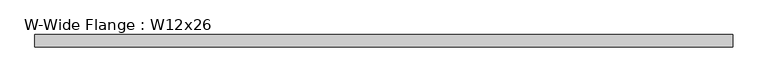
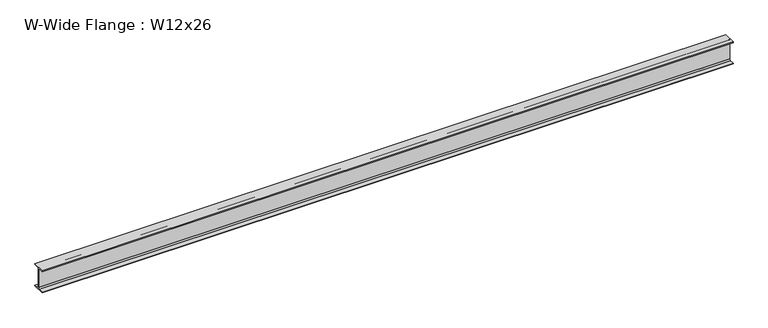
"""IFC4 building model written with IfcOpenShell, lengths in millimetres: beam geometry, W-Wide Flange : W12x26."""

import ifcopenshell
import ifcopenshell.guid

model = None  # the IFC model being written
_history = None  # IfcOwnerHistory: only IFC2X3 demands one
_inside = {}  # id of a spatial element -> (the spatial element, [elements in it])
_under = {}  # id of a project, library or spatial element -> (it, [spatial elements below it])
_declared = {}  # id of a project -> (the project, [libraries it declares])
_typed = {}  # id of a type object -> (the type object, [elements of that type])
_made_of = {}  # id of a material, layer set ... -> (it, [elements and type objects made of it])


def new_model(schema):
    """Start an empty IFC model of exactly this schema.

    Asked for "IFC4X3", IfcOpenShell would pick the latest addendum, in which some entities
    have other attributes; the version numbers below select the first issue.
    IFC2X3 requires an IfcOwnerHistory on every rooted entity: one is made here for all.
    """
    global model, _history
    if schema == "IFC4X3":
        model = ifcopenshell.file(schema_version=(4, 3, 0, 0))
    else:
        model = ifcopenshell.file(schema=schema)
    _inside.clear()
    _under.clear()
    _declared.clear()
    _typed.clear()
    _made_of.clear()
    _history = None
    if model.schema == "IFC2X3":
        org = make("IfcOrganization", Name="unknown")
        user = make(
            "IfcPersonAndOrganization",
            ThePerson=make("IfcPerson", FamilyName="unknown"),
            TheOrganization=org,
        )
        app = make(
            "IfcApplication",
            ApplicationDeveloper=org,
            Version="unknown",
            ApplicationFullName="unknown",
            ApplicationIdentifier="unknown",
        )
        _history = make(
            "IfcOwnerHistory",
            OwningUser=user,
            OwningApplication=app,
            ChangeAction="ADDED",
            CreationDate=0,
        )
    return model


def make(cls, **values):
    """One entity of the class cls with the attributes given. An attribute that is None is left unset."""
    return model.create_entity(
        cls, **{name: value for name, value in values.items() if value is not None}
    )


def rooted(cls, **values):
    """An entity with a GlobalId (a new one), such as an element, a storey or a relation."""
    return make(cls, GlobalId=ifcopenshell.guid.new(), OwnerHistory=_history, **values)


def si_unit(unit_type, name, prefix=None):
    """IfcSIUnit, for example si_unit("LENGTHUNIT", "METRE", prefix="MILLI")."""
    return make("IfcSIUnit", UnitType=unit_type, Prefix=prefix, Name=name)


def assignment(units):
    """IfcUnitAssignment: the units of a project."""
    return None if units is None else make("IfcUnitAssignment", Units=units)


def point(xyz):
    """IfcCartesianPoint."""
    return None if xyz is None else make("IfcCartesianPoint", Coordinates=xyz)


def direction(xyz):
    """IfcDirection."""
    return None if xyz is None else make("IfcDirection", DirectionRatios=xyz)


def frame(location, z_axis=None, x_axis=None):
    """IfcAxis2Placement3D, a coordinate frame: its origin and axes. An axis left out is left unset."""
    return make(
        "IfcAxis2Placement3D",
        Location=point(location),
        Axis=direction(z_axis),
        RefDirection=direction(x_axis),
    )


def frame_2d(location, x_axis=None):
    """IfcAxis2Placement2D, a coordinate frame in the plane: its origin and x axis."""
    return make(
        "IfcAxis2Placement2D", Location=point(location), RefDirection=direction(x_axis)
    )


def origin():
    """The frame at (0, 0, 0) with its axes left unset."""
    return frame((0.0, 0.0, 0.0))


def place(relative_to, where):
    """IfcLocalPlacement: puts the frame where relative to a parent placement (None: the world)."""
    return make(
        "IfcLocalPlacement", PlacementRelTo=relative_to, RelativePlacement=where
    )


def context(
    kind, dimensions, precision=None, world=None, true_north=None, identifier=None
):
    """IfcGeometricRepresentationContext, for example the 3D "Model" context."""
    return make(
        "IfcGeometricRepresentationContext",
        ContextIdentifier=identifier,
        ContextType=kind,
        CoordinateSpaceDimension=dimensions,
        Precision=precision,
        WorldCoordinateSystem=world,
        TrueNorth=true_north,
    )


def project(units=None, contexts=None):
    """IfcProject with its units and contexts."""
    return rooted(
        "IfcProject",
        Name="project",
        RepresentationContexts=contexts,
        UnitsInContext=assignment(units),
    )


def spatial(cls, under=None, at=None, **own):
    """A site, building, storey or space (cls), placed at a placement, below another one or the project."""
    s = rooted(cls, ObjectPlacement=at, **own)
    if under is not None:
        _under.setdefault(under.id(), (under, []))[1].append(s)
    return s


def polyline(points):
    """IfcPolyline through the points."""
    return make("IfcPolyline", Points=[point(p) for p in points])


def circle_curve(where, radius):
    """IfcCircle in the frame where."""
    return make("IfcCircle", Position=where, Radius=radius)


def trimmed(basis, trim1, trim2, sense, master):
    """IfcTrimmedCurve: the piece of a basis curve between two trims."""
    return make(
        "IfcTrimmedCurve",
        BasisCurve=basis,
        Trim1=trim1,
        Trim2=trim2,
        SenseAgreement=sense,
        MasterRepresentation=master,
    )


def segment(curve, same_sense, transition):
    """IfcCompositeCurveSegment."""
    return make(
        "IfcCompositeCurveSegment",
        Transition=transition,
        SameSense=same_sense,
        ParentCurve=curve,
    )


def composite_curve(segments, self_intersect=None):
    """IfcCompositeCurve: segments joined end to end."""
    return make("IfcCompositeCurve", Segments=segments, SelfIntersect=self_intersect)


def outline(outer, holes=None, kind="AREA"):
    """IfcArbitraryClosedProfileDef: a profile drawn as a closed curve; with holes, ...WithVoids."""
    if holes is None:
        return make("IfcArbitraryClosedProfileDef", ProfileType=kind, OuterCurve=outer)
    return make(
        "IfcArbitraryProfileDefWithVoids",
        ProfileType=kind,
        OuterCurve=outer,
        InnerCurves=holes,
    )


def extrude(swept, where, along, depth):
    """IfcExtrudedAreaSolid: the profile swept, set in the frame where, extruded along a direction by depth."""
    return make(
        "IfcExtrudedAreaSolid",
        SweptArea=swept,
        Position=where,
        ExtrudedDirection=direction(along),
        Depth=depth,
    )


def shape(context_of_items, identifier, shape_type, items):
    """IfcShapeRepresentation: the items that make up one representation, for example the "Body"."""
    return make(
        "IfcShapeRepresentation",
        ContextOfItems=context_of_items,
        RepresentationIdentifier=identifier,
        RepresentationType=shape_type,
        Items=items,
    )


def source(mapping_origin, context_of_items, identifier, shape_type, items):
    """IfcRepresentationMap: a shape defined once, which mapped items show again and again."""
    return make(
        "IfcRepresentationMap",
        MappingOrigin=mapping_origin,
        MappedRepresentation=shape(context_of_items, identifier, shape_type, items),
    )


def transform(
    local_origin,
    x_axis=None,
    y_axis=None,
    z_axis=None,
    scale=None,
    scale2=None,
    scale3=None,
    uniform=True,
):
    """IfcCartesianTransformationOperator3D, or its non-uniform kind. x_axis, y_axis, z_axis: its Axis1, 2, 3."""
    if uniform:
        return make(
            "IfcCartesianTransformationOperator3D",
            Axis1=direction(x_axis),
            Axis2=direction(y_axis),
            LocalOrigin=point(local_origin),
            Scale=scale,
            Axis3=direction(z_axis),
        )
    return make(
        "IfcCartesianTransformationOperator3DnonUniform",
        Axis1=direction(x_axis),
        Axis2=direction(y_axis),
        LocalOrigin=point(local_origin),
        Scale=scale,
        Axis3=direction(z_axis),
        Scale2=scale2,
        Scale3=scale3,
    )


def mapped(mapping_source, mapping_target):
    """IfcMappedItem: shows the shape of a source again, moved by a transform."""
    return make(
        "IfcMappedItem", MappingSource=mapping_source, MappingTarget=mapping_target
    )


def made_of(thing, what):
    """Note that an element or type object is made of a material, layer set ...; save() writes the relation."""
    if what is not None:
        _made_of.setdefault(what.id(), (what, []))[1].append(thing)
    return thing


def element(
    cls,
    number,
    at=None,
    inside=None,
    cuts=None,
    type_object=None,
    material=None,
    context=None,
    identifier="Body",
    shape_type=None,
    held_by="IfcProductDefinitionShape",
    body=None,
    shapes=None,
    **own,
):
    """One element of the class cls, such as IfcWall. Its Tag is "e" and its number.

    at: its placement. inside: the storey or other place that contains it. cuts: it is an
    opening in that element (IfcRelVoidsElement). A single representation is given by context,
    identifier, shape_type and body (its items); several are given by shapes. held_by: the class
    of the entity that holds the representations. save() writes the other relations.
    """
    e = rooted(cls, Tag="e%d" % number, ObjectPlacement=at, **own)
    if body is not None:
        shapes = [shape(context, identifier, shape_type, body)]
    if shapes is not None:
        e.Representation = make(held_by, Representations=shapes)
    if inside is not None:
        _inside.setdefault(inside.id(), (inside, []))[1].append(e)
    if cuts is not None:
        rooted(
            "IfcRelVoidsElement", RelatingBuildingElement=cuts, RelatedOpeningElement=e
        )
    if type_object is not None:
        _typed.setdefault(type_object.id(), (type_object, []))[1].append(e)
    return made_of(e, material)


def aggregate(whole, parts):
    """IfcRelAggregates: a whole, such as a stair, and the parts it consists of."""
    return rooted("IfcRelAggregates", RelatingObject=whole, RelatedObjects=parts)


def save(model, path):
    """Write the relations noted so far, then the file.

    IfcRelAggregates (storeys below a building ...), IfcRelContainedInSpatialStructure (elements
    in a storey), IfcRelDefinesByType, IfcRelAssociatesMaterial and IfcRelDeclares: one each for
    every whole, place, type object, material and project.
    """
    for whole, parts in _under.values():
        aggregate(whole, parts)
    for where, things in _inside.values():
        rooted(
            "IfcRelContainedInSpatialStructure",
            RelatedElements=things,
            RelatingStructure=where,
        )
    for kind, things in _typed.values():
        rooted("IfcRelDefinesByType", RelatedObjects=things, RelatingType=kind)
    for what, things in _made_of.values():
        rooted("IfcRelAssociatesMaterial", RelatedObjects=things, RelatingMaterial=what)
    for by, libraries in _declared.values():
        rooted("IfcRelDeclares", RelatingContext=by, RelatedDefinitions=libraries)
    model.write(path)


def w_wide_flange_w12x26_69c4127f(model_context):
    return source(origin(), model_context, "Body", "SweptSolid", [
        extrude(outline(composite_curve([segment(polyline([(82.423, -145.288), (82.423, -154.94), (-82.423, -154.94), (-82.423, -145.288), (-20.2565, -145.288)]), True, "CONTINUOUS"), segment(trimmed(circle_curve(frame_2d((-20.2565, -127.9525)), 17.3355), [point((-20.2565, -145.288))], [point((-2.921, -127.9525))], True, "CARTESIAN"), True, "CONTINUOUS"), segment(polyline([(-2.921, -127.9525), (-2.921, 127.9525)]), True, "CONTINUOUS"), segment(trimmed(circle_curve(frame_2d((-20.2565, 127.9525)), 17.3355), [point((-2.921, 127.9525))], [point((-20.2565, 145.288))], True, "CARTESIAN"), True, "CONTINUOUS"), segment(polyline([(-20.2565, 145.288), (-82.423, 145.288), (-82.423, 154.94), (82.423, 154.94), (82.423, 145.288), (20.2565, 145.288)]), True, "CONTINUOUS"), segment(trimmed(circle_curve(frame_2d((20.2565, 127.9525)), 17.3355), [point((20.2565, 145.288))], [point((2.921, 127.9525))], True, "CARTESIAN"), True, "CONTINUOUS"), segment(polyline([(2.921, 127.9525), (2.921, -127.9525)]), True, "CONTINUOUS"), segment(trimmed(circle_curve(frame_2d((20.2565, -127.9525)), 17.3355), [point((2.921, -127.9525))], [point((20.2565, -145.288))], True, "CARTESIAN"), True, "CONTINUOUS"), segment(polyline([(20.2565, -145.288), (82.423, -145.288)]), True, "CONTINUOUS")], self_intersect=False)), frame((-4604.3777401, 0.0, 0.0), z_axis=(1.0, 0.0, 0.0), x_axis=(0.0, 1.0, 0.0)), (0.0, 0.0, 1.0), 9215.4195663),
    ])


if __name__ == "__main__":
    model = new_model("IFC4")
    model_context = context("Model", 3, world=origin())
    ifc_project = project(units=[si_unit("LENGTHUNIT", "METRE", prefix="MILLI")], contexts=[model_context])
    site = spatial("IfcSite", under=ifc_project)
    building = spatial("IfcBuilding", under=site)
    placement = place(None, origin())
    w_wide_flange_w12x26_shape = w_wide_flange_w12x26_69c4127f(model_context)
    element("IfcBeam", 1, ObjectType="W-Wide Flange : W12x26", at=placement, inside=building, context=model_context, shape_type="MappedRepresentation", body=[
        mapped(w_wide_flange_w12x26_shape, transform((0.0, 0.0, 0.0), x_axis=(1.0, 0.0, 0.0), y_axis=(0.0, 1.0, 0.0), z_axis=(0.0, 0.0, 1.0))),
    ])
    save(model, "model.ifc")
